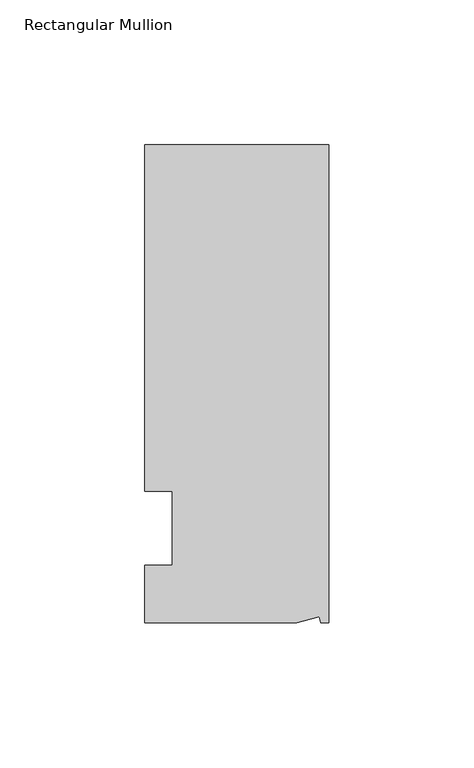
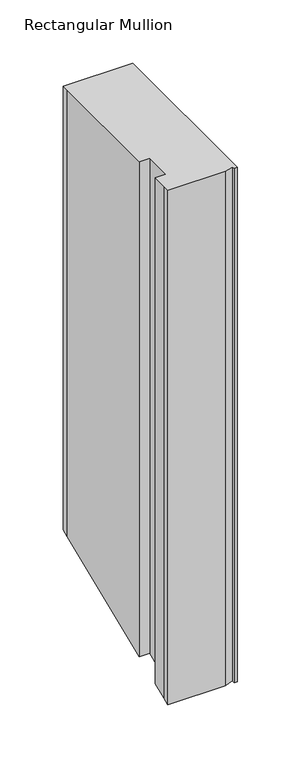
"""IFC4 building model written with IfcOpenShell, lengths in millimetres: member geometry, Rectangular Mullion."""

from ifc_helpers import new_model, si_unit, origin, place, context, project, spatial, faceted_brep, source, transform, mapped, element, save


def rectangular_mullion_edd68fd1(model_context):
    return source(origin(), model_context, "Body", "Brep", [
        faceted_brep([(0.0, 132.5561012, 0.0), (-63.5, 132.5561012, 0.0), (-63.5, 126.2061012, 0.0), (-63.5, 12.8488281, 0.0), (-53.975, 12.8488281, 0.0), (-53.975, -12.7, 0.0), (-63.5, -12.7, 0.0), (-63.5, -26.1938988, 0.0), (-63.5076469, -32.5438988, 0.0), (-11.1125, -32.5438988, 0.0), (-3.3223696, -30.4565397, 0.0), (-2.7630634, -32.5438988, 0.0), (0.0, -32.5438988, 0.0), (0.0, 132.5561012, -427.6934651), (-63.5, 132.5561012, -427.6934651), (-63.5, 126.2061012, -430.3237212), (-63.5, 12.8488281, -477.2778411), (-53.975, 12.8488281, -477.2778411), (-53.975, -12.7, -487.8605122), (-63.5, -12.7, -487.8605122), (-63.5, -26.1938988, -493.4498681), (-63.5076469, -32.5438988, -496.0801243), (-11.1125, -32.5438988, -496.0801243), (-3.3223696, -30.4565397, -495.2155118), (-2.7630634, -32.5438988, -496.0801243), (0.0, -32.5438988, -496.0801243)], [[[0, 1, 2, 3, 4, 5, 6, 7, 8, 9, 10, 11, 12]], [[1, 0, 13, 14]], [[3, 2, 15, 16]], [[4, 3, 16, 17]], [[5, 4, 17, 18]], [[6, 5, 18, 19]], [[7, 6, 19, 20]], [[9, 8, 21, 22]], [[10, 9, 22, 23]], [[11, 10, 23, 24]], [[12, 11, 24, 25]], [[0, 12, 25, 13]], [[13, 25, 24, 23, 22, 21, 20, 19, 18, 17, 16, 15, 14]], [[2, 1, 14, 15]], [[8, 7, 20, 21]]]),
    ])


if __name__ == "__main__":
    model = new_model("IFC4")
    model_context = context("Model", 3, world=origin())
    ifc_project = project(units=[si_unit("LENGTHUNIT", "METRE", prefix="MILLI")], contexts=[model_context])
    site = spatial("IfcSite", under=ifc_project)
    building = spatial("IfcBuilding", under=site)
    placement = place(None, origin())
    rectangular_mullion_shape = rectangular_mullion_edd68fd1(model_context)
    element("IfcMember", 1, ObjectType="Rectangular Mullion", at=placement, inside=building, context=model_context, shape_type="MappedRepresentation", body=[
        mapped(rectangular_mullion_shape, transform((0.0, 0.0, 0.0), x_axis=(1.0, 0.0, 0.0), y_axis=(0.0, 1.0, 0.0), z_axis=(0.0, 0.0, 1.0))),
    ])
    save(model, "model.ifc")
